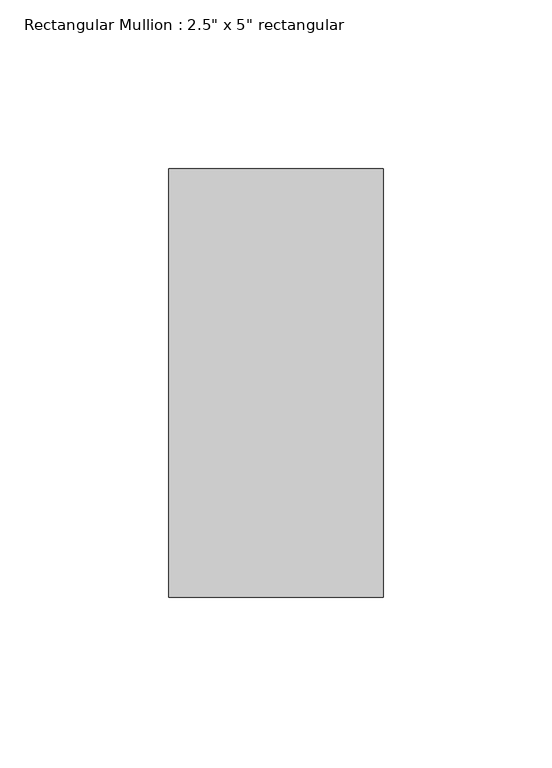
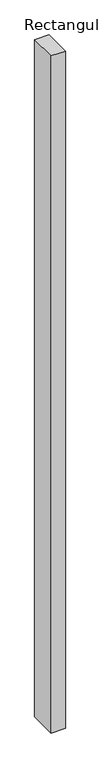
"""IFC4 building model written with IfcOpenShell, lengths in millimetres: member geometry."""

from ifc_helpers import new_model, si_unit, frame, origin, place, context, project, spatial, polyline, outline, extrude, source, transform, mapped, element, save


def member_1a75dc9e(model_context):
    return source(origin(), model_context, "Body", "SweptSolid", [
        extrude(outline(polyline([(31.75, 63.5), (31.75, -63.5), (-31.75, -63.5), (-31.75, 63.5), (31.75, 63.5)])), frame((0.0, 0.0, -3200.0), z_axis=(0.0, 0.0, 1.0), x_axis=(1.0, 0.0, 0.0)), (0.0, 0.0, 1.0), 3200.0),
    ])


if __name__ == "__main__":
    model = new_model("IFC4")
    model_context = context("Model", 3, world=origin())
    ifc_project = project(units=[si_unit("LENGTHUNIT", "METRE", prefix="MILLI")], contexts=[model_context])
    site = spatial("IfcSite", under=ifc_project)
    building = spatial("IfcBuilding", under=site)
    placement = place(None, origin())
    member_shape = member_1a75dc9e(model_context)
    element("IfcMember", 1, ObjectType="Rectangular Mullion : 2.5\" x 5\" rectangular", at=placement, inside=building, context=model_context, shape_type="MappedRepresentation", body=[
        mapped(member_shape, transform((0.0, 0.0, 0.0), x_axis=(1.0, 0.0, 0.0), y_axis=(0.0, 1.0, 0.0), z_axis=(0.0, 0.0, 1.0))),
    ])
    save(model, "model.ifc")
